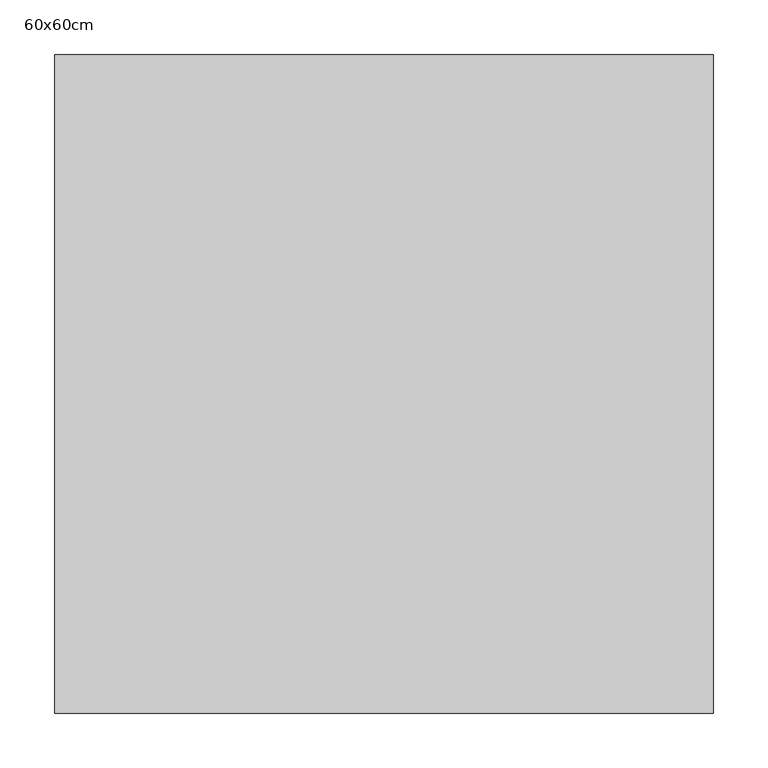
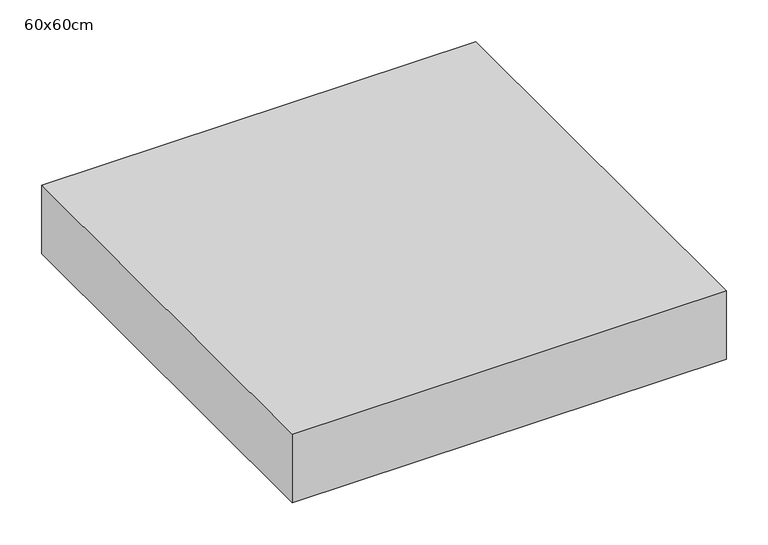
"""IFC4 building model written with IfcOpenShell, lengths in millimetres: proxy geometry, 60x60cm."""

from ifc_helpers import new_model, si_unit, frame, origin, place, context, project, spatial, polyline, outline, extrude, source, transform, mapped, element, save


def proxy_60x60cm_96fa7f7e(model_context):
    return source(origin(), model_context, "Body", "SweptSolid", [
        extrude(outline(polyline([(600.0, 600.0), (600.0, 0.0), (0.0, 0.0), (0.0, 600.0), (600.0, 600.0)])), frame((0.0, 0.0, 3000.0), z_axis=(0.0, 0.0, 1.0), x_axis=(1.0, 0.0, 0.0)), (0.0, 0.0, 1.0), 100.0),
    ])


if __name__ == "__main__":
    model = new_model("IFC4")
    model_context = context("Model", 3, world=origin())
    ifc_project = project(units=[si_unit("LENGTHUNIT", "METRE", prefix="MILLI")], contexts=[model_context])
    site = spatial("IfcSite", under=ifc_project)
    building = spatial("IfcBuilding", under=site)
    placement = place(None, origin())
    proxy_60x60cm_shape = proxy_60x60cm_96fa7f7e(model_context)
    element("IfcBuildingElementProxy", 1, Name="60x60cm", ObjectType="60x60cm", at=placement, inside=building, context=model_context, shape_type="MappedRepresentation", body=[
        mapped(proxy_60x60cm_shape, transform((0.0, 0.0, 0.0), x_axis=(1.0, 0.0, 0.0), y_axis=(0.0, 1.0, 0.0), z_axis=(0.0, 0.0, 1.0))),
    ])
    save(model, "model.ifc")
